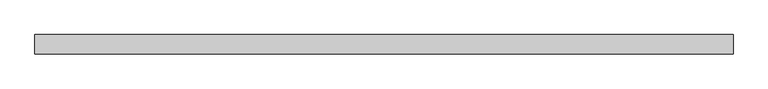
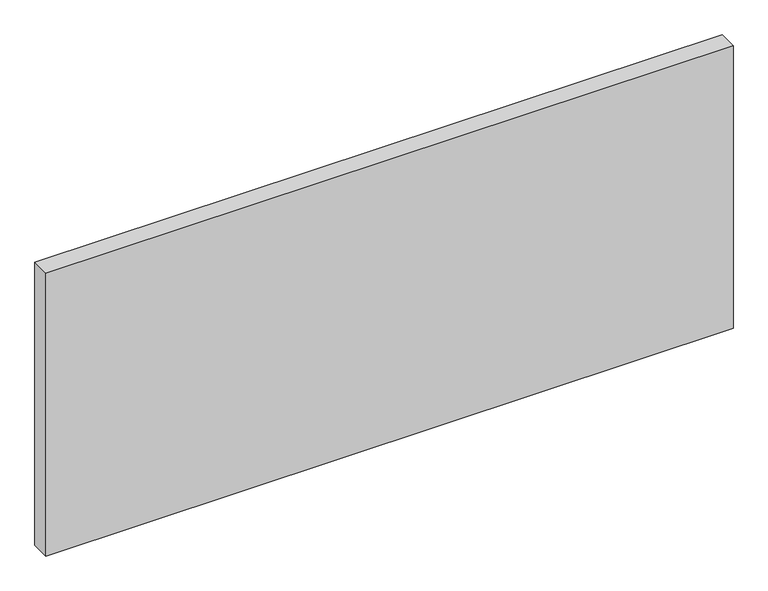
"""IFC4 building model written with IfcOpenShell, lengths in millimetres: plate geometry."""

from ifc_helpers import new_model, si_unit, origin, origin_with_axes, place, context, project, spatial, polyline, outline, extrude, source, transform, mapped, element, save


def plate_5c463760(model_context):
    return source(origin(), model_context, "Body", "SweptSolid", [
        extrude(outline(polyline([(575.0000002, 0.0), (-575.0000002, 0.0), (-575.0000002, 32.0), (575.0000002, 32.0), (575.0000002, 0.0)])), origin_with_axes(), (0.0, 0.0, 1.0), 500.0),
    ])


if __name__ == "__main__":
    model = new_model("IFC4")
    model_context = context("Model", 3, world=origin())
    ifc_project = project(units=[si_unit("LENGTHUNIT", "METRE", prefix="MILLI")], contexts=[model_context])
    site = spatial("IfcSite", under=ifc_project)
    building = spatial("IfcBuilding", under=site)
    placement = place(None, origin())
    plate_shape = plate_5c463760(model_context)
    element("IfcPlate", 1, at=placement, inside=building, context=model_context, shape_type="MappedRepresentation", body=[
        mapped(plate_shape, transform((0.0, 0.0, 0.0), x_axis=(1.0, 0.0, 0.0), y_axis=(0.0, 1.0, 0.0), z_axis=(0.0, 0.0, 1.0))),
    ])
    save(model, "model.ifc")
